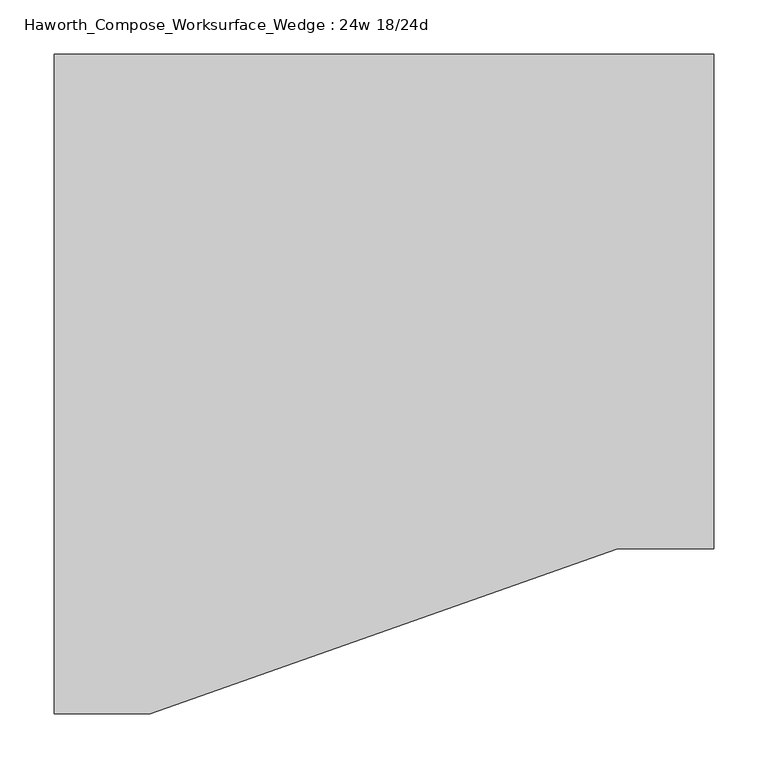
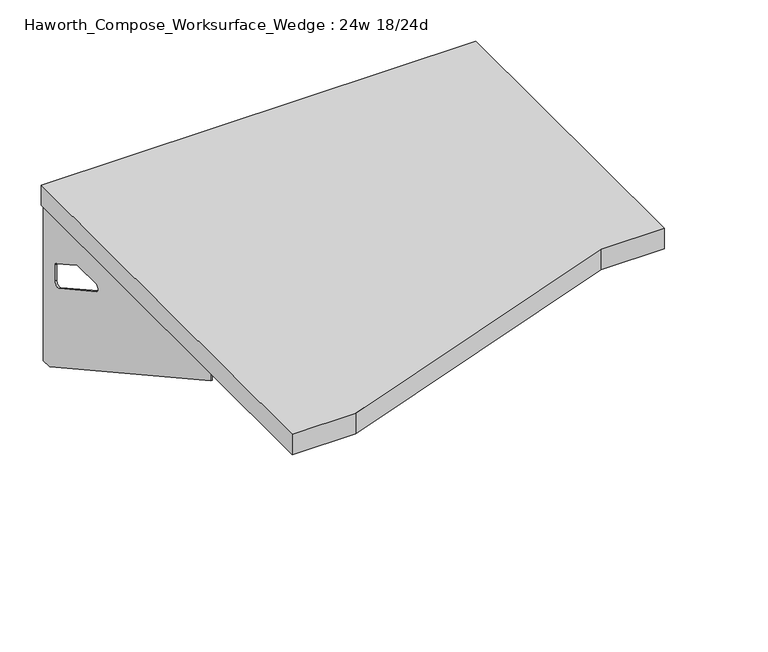
"""IFC4 building model written with IfcOpenShell, lengths in millimetres: furniture geometry, Haworth_Compose_Worksurface_Wedge : 24w 18/24d."""

from ifc_helpers import new_model, si_unit, frame, origin, place, context, project, spatial, polyline, circle_curve, outline, extrude, source, transform, mapped, element, save
from ifc_brep_helpers import plane_surface, revolved_surface, advanced_brep


def haworth_compose_worksurface_wedge_24w_18_24d_2aabfa83(model_context):
    return source(origin(), model_context, "Body", "SolidModel", [
        advanced_brep(
        [(299.24375, 304.8, 475.45625), (299.24375, 288.925, 475.45625), (299.24375, -101.6, 691.7192568), (299.24375, -101.6, 704.05625), (299.24375, 288.925, 704.05625), (299.24375, 304.8, 704.05625), (299.24375, 221.490072, 665.95625), (299.24375, 177.8355284, 665.95625), (299.24375, 175.1564235, 656.3705539), (299.24375, 266.8776173, 605.5776439), (299.24375, 276.225, 611.1756969), (299.24375, 276.225, 634.6860246), (299.24375, 274.4730055, 637.5242776), (299.24375, 224.5663437, 665.1613425), (301.625, 304.8, 475.45625), (301.625, 304.8, 704.05625), (301.625, 288.925, 704.05625), (301.625, 288.925, 706.4375), (301.625, -101.6, 706.4375), (301.625, -101.6, 691.7192568), (301.625, 288.925, 475.45625), (301.625, 221.490072, 665.95625), (301.625, 224.5663437, 665.1613425), (301.625, 274.4730055, 637.5242776), (301.625, 276.225, 634.6860246), (301.625, 276.225, 611.1756969), (301.625, 266.8776173, 605.5776439), (301.625, 175.1564235, 656.3705539), (301.625, 177.8355284, 665.95625), (260.35, -101.6, 706.4375), (260.35, -101.6, 704.05625), (260.35, 288.925, 704.05625), (260.35, 288.925, 706.4375)],
        [
            (0, 1),
            (1, 2),
            (2, 3),
            (3, 4),
            (4, 5),
            (5, 0),
            (6, 7),
            (7, 8, circle_curve(frame((299.24375, 177.8355284, 660.7890106), z_axis=(1.0, 0.0, 0.0), x_axis=(0.0, -1.0, 0.0)), 5.1672394)),
            (8, 9),
            (9, 10, circle_curve(frame((299.24375, 269.875, 611.1756969), z_axis=(1.0, 0.0, 0.0), x_axis=(0.0, -1.0, 0.0)), 6.35)),
            (10, 11),
            (11, 12, circle_curve(frame((299.24375, 273.05, 634.6860246), z_axis=(1.0, 0.0, 0.0), x_axis=(0.0, -1.0, 0.0)), 3.175)),
            (12, 13),
            (13, 6, circle_curve(frame((299.24375, 221.490072, 659.60625), z_axis=(1.0, 0.0, 0.0), x_axis=(0.0, -1.0, 0.0)), 6.35)),
            (14, 15),
            (15, 16),
            (16, 17),
            (17, 18),
            (18, 19),
            (19, 20),
            (20, 14),
            (21, 22, circle_curve(frame((301.625, 221.490072, 659.60625), z_axis=(-1.0, 0.0, 0.0), x_axis=(0.0, -1.0, 0.0)), 6.35)),
            (22, 23),
            (23, 24, circle_curve(frame((301.625, 273.05, 634.6860246), z_axis=(-1.0, 0.0, 0.0), x_axis=(0.0, -1.0, 0.0)), 3.175)),
            (24, 25),
            (25, 26, circle_curve(frame((301.625, 269.875, 611.1756969), z_axis=(-1.0, 0.0, 0.0), x_axis=(0.0, -1.0, 0.0)), 6.35)),
            (26, 27),
            (27, 28, circle_curve(frame((301.625, 177.8355284, 660.7890106), z_axis=(-1.0, 0.0, 0.0), x_axis=(0.0, -1.0, 0.0)), 5.1672394)),
            (28, 21),
            (4, 16),
            (15, 5),
            (14, 0),
            (20, 1),
            (19, 2),
            (18, 29),
            (29, 30),
            (30, 3),
            (6, 21),
            (28, 7),
            (9, 26),
            (25, 10),
            (24, 11),
            (23, 12),
            (27, 8),
            (31, 4),
            (30, 31),
            (32, 29),
            (17, 32),
            (31, 32),
            (22, 13),
        ],
        [
            plane_surface(frame((299.24375, 304.8, 475.45625), z_axis=(-1.0, 0.0, 0.0), x_axis=(0.0, 1.0, 0.0))),
            plane_surface(frame((301.625, 304.8, 475.45625), z_axis=(1.0, 0.0, 0.0), x_axis=(0.0, -1.0, 0.0))),
            plane_surface(frame((301.625, -101.6, 704.05625), z_axis=(0.0, 0.0, 1.0), x_axis=(-1.0, 0.0, 0.0))),
            plane_surface(frame((301.625, 304.8, 704.05625), z_axis=(0.0, 1.0, 0.0), x_axis=(-1.0, 0.0, 0.0))),
            plane_surface(frame((301.625, 304.8, 475.45625), z_axis=(0.0, 0.0, -1.0), x_axis=(-1.0, 0.0, 0.0))),
            plane_surface(frame((301.625, 288.925, 475.45625), z_axis=(0.0, -0.48445223513455843, -0.8748177135112952), x_axis=(-1.0, 0.0, 0.0))),
            plane_surface(frame((301.625, -101.6, 691.7192568), z_axis=(0.0, -1.0, 0.0), x_axis=(-1.0, 0.0, 0.0))),
            plane_surface(frame((301.625, 221.490072, 665.95625), z_axis=(0.0, 0.0, -1.0), x_axis=(-1.0, 0.0, 0.0))),
            revolved_surface(polyline([(299.24375, 263.525, 611.1756969), (301.625, 263.525, 611.1756969)]), (301.625, 269.875, 611.1756969), (-1.0, 0.0, 0.0)),
            plane_surface(frame((301.625, 276.225, 611.1756969), z_axis=(0.0, -1.0, 0.0), x_axis=(-1.0, 0.0, 0.0))),
            revolved_surface(polyline([(299.24375, 269.875, 634.6860246), (301.625, 269.875, 634.6860246)]), (301.625, 273.05, 634.6860246), (-1.0, 0.0, 0.0)),
            revolved_surface(polyline([(299.24375, 172.668289, 660.7890106), (301.625, 172.668289, 660.7890106)]), (301.625, 177.8355284, 660.7890106), (-1.0, 0.0, 0.0)),
            plane_surface(frame((301.625, 288.925, 704.05625), z_axis=(0.0, 0.0, -1.0), x_axis=(-1.0, 0.0, 0.0))),
            plane_surface(frame((301.625, 288.925, 706.4375), z_axis=(0.0, 0.0, 1.0), x_axis=(1.0, 0.0, 0.0))),
            plane_surface(frame((260.35, 288.925, 706.4375), z_axis=(0.0, 1.0, 0.0), x_axis=(0.0, 0.0, -1.0))),
            plane_surface(frame((260.35, -101.6, 706.4375), z_axis=(-1.0, 0.0, 0.0), x_axis=(0.0, 0.0, -1.0))),
            plane_surface(frame((301.625, 175.1564235, 656.3705539), z_axis=(0.0, 0.4844522351345583, 0.8748177135112953), x_axis=(-1.0, 0.0, 0.0))),
            plane_surface(frame((301.625, 274.4730055, 637.5242776), z_axis=(0.0, -0.4844522351345582, -0.8748177135112953), x_axis=(-1.0, 0.0, 0.0))),
            revolved_surface(polyline([(299.24375, 215.140072, 659.60625), (301.625, 215.140072, 659.60625)]), (301.625, 221.490072, 659.60625), (-1.0, 0.0, 0.0)),
        ],
        [
            (0, [[1, 2, 3, 4, 5, 6], [7, 8, 9, 10, 11, 12, 13, 14]]),
            (1, [[15, 16, 17, 18, 19, 20, 21], [22, 23, 24, 25, 26, 27, 28, 29]]),
            (2, [[-5, 30, -16, 31]]),
            (3, [[-31, -15, 32, -6]]),
            (4, [[-32, -21, 33, -1]]),
            (5, [[-33, -20, 34, -2]]),
            (6, [[-34, -19, 35, 36, 37, -3]]),
            (7, [[38, -29, 39, -7]]),
            (8, [[40, -26, 41, -10]]),
            (9, [[-41, -25, 42, -11]]),
            (10, [[-42, -24, 43, -12]]),
            (11, [[-39, -28, 44, -8]]),
            (12, [[45, -4, -37, 46]]),
            (13, [[47, -35, -18, 48]]),
            (14, [[-17, -30, -45, 49, -48]]),
            (15, [[-36, -47, -49, -46]]),
            (16, [[-44, -27, -40, -9]]),
            (17, [[-43, -23, 50, -13]]),
            (18, [[-50, -22, -38, -14]]),
        ],
    ),
        advanced_brep(
        [(-299.24375, 304.8, 475.45625), (-299.24375, 304.8, 704.05625), (-299.24375, 288.925, 704.05625), (-299.24375, -101.6, 704.05625), (-299.24375, -101.6, 691.7192568), (-299.24375, 288.925, 475.45625), (-299.24375, 221.490072, 665.95625), (-299.24375, 224.5663437, 665.1613425), (-299.24375, 274.4730055, 637.5242776), (-299.24375, 276.225, 634.6860246), (-299.24375, 276.225, 611.1756969), (-299.24375, 266.8776173, 605.5776439), (-299.24375, 175.1564235, 656.3705539), (-299.24375, 177.8355284, 665.95625), (-301.625, 304.8, 475.45625), (-301.625, 288.925, 475.45625), (-301.625, -101.6, 691.7192568), (-301.625, -101.6, 706.4375), (-301.625, 288.925, 706.4375), (-301.625, 288.925, 704.05625), (-301.625, 304.8, 704.05625), (-301.625, 221.490072, 665.95625), (-301.625, 177.8355284, 665.95625), (-301.625, 175.1564235, 656.3705539), (-301.625, 266.8776173, 605.5776439), (-301.625, 276.225, 611.1756969), (-301.625, 276.225, 634.6860246), (-301.625, 274.4730055, 637.5242776), (-301.625, 224.5663437, 665.1613425), (-260.35, -101.6, 704.05625), (-260.35, -101.6, 706.4375), (-260.35, 288.925, 704.05625), (-260.35, 288.925, 706.4375)],
        [
            (0, 1),
            (1, 2),
            (2, 3),
            (3, 4),
            (4, 5),
            (5, 0),
            (6, 7, circle_curve(frame((-299.24375, 221.490072, 659.60625), z_axis=(-1.0, 0.0, 0.0), x_axis=(0.0, -1.0, 0.0)), 6.35)),
            (7, 8),
            (8, 9, circle_curve(frame((-299.24375, 273.05, 634.6860246), z_axis=(-1.0, 0.0, 0.0), x_axis=(0.0, -1.0, 0.0)), 3.175)),
            (9, 10),
            (10, 11, circle_curve(frame((-299.24375, 269.875, 611.1756969), z_axis=(-1.0, 0.0, 0.0), x_axis=(0.0, -1.0, 0.0)), 6.35)),
            (11, 12),
            (12, 13, circle_curve(frame((-299.24375, 177.8355284, 660.7890106), z_axis=(-1.0, 0.0, 0.0), x_axis=(0.0, -1.0, 0.0)), 5.1672394)),
            (13, 6),
            (14, 15),
            (15, 16),
            (16, 17),
            (17, 18),
            (18, 19),
            (19, 20),
            (20, 14),
            (21, 22),
            (22, 23, circle_curve(frame((-301.625, 177.8355284, 660.7890106), z_axis=(1.0, 0.0, 0.0), x_axis=(0.0, -1.0, 0.0)), 5.1672394)),
            (23, 24),
            (24, 25, circle_curve(frame((-301.625, 269.875, 611.1756969), z_axis=(1.0, 0.0, 0.0), x_axis=(0.0, -1.0, 0.0)), 6.35)),
            (25, 26),
            (26, 27, circle_curve(frame((-301.625, 273.05, 634.6860246), z_axis=(1.0, 0.0, 0.0), x_axis=(0.0, -1.0, 0.0)), 3.175)),
            (27, 28),
            (28, 21, circle_curve(frame((-301.625, 221.490072, 659.60625), z_axis=(1.0, 0.0, 0.0), x_axis=(0.0, -1.0, 0.0)), 6.35)),
            (1, 20),
            (19, 2),
            (0, 14),
            (5, 15),
            (4, 16),
            (3, 29),
            (29, 30),
            (30, 17),
            (13, 22),
            (21, 6),
            (10, 25),
            (24, 11),
            (9, 26),
            (8, 27),
            (12, 23),
            (31, 29),
            (2, 31),
            (32, 18),
            (30, 32),
            (32, 31),
            (7, 28),
        ],
        [
            plane_surface(frame((-299.24375, 304.8, 475.45625), z_axis=(1.0, 0.0, 0.0), x_axis=(0.0, 1.0, 0.0))),
            plane_surface(frame((-301.625, 304.8, 475.45625), z_axis=(-1.0, 0.0, 0.0), x_axis=(0.0, -1.0, 0.0))),
            plane_surface(frame((-301.625, -101.6, 704.05625), z_axis=(0.0, 0.0, 1.0), x_axis=(1.0, 0.0, 0.0))),
            plane_surface(frame((-301.625, 304.8, 704.05625), z_axis=(0.0, 1.0, 0.0), x_axis=(1.0, 0.0, 0.0))),
            plane_surface(frame((-301.625, 304.8, 475.45625), z_axis=(0.0, 0.0, -1.0), x_axis=(1.0, 0.0, 0.0))),
            plane_surface(frame((-301.625, 288.925, 475.45625), z_axis=(0.0, -0.48445223513455843, -0.8748177135112952), x_axis=(1.0, 0.0, 0.0))),
            plane_surface(frame((-301.625, -101.6, 691.7192568), z_axis=(0.0, -1.0, 0.0), x_axis=(1.0, 0.0, 0.0))),
            plane_surface(frame((-301.625, 221.490072, 665.95625), z_axis=(0.0, 0.0, -1.0), x_axis=(1.0, 0.0, 0.0))),
            revolved_surface(polyline([(-299.24375, 263.525, 611.1756969), (-301.625, 263.525, 611.1756969)]), (-301.625, 269.875, 611.1756969), (1.0, 0.0, 0.0)),
            plane_surface(frame((-301.625, 276.225, 611.1756969), z_axis=(0.0, -1.0, 0.0), x_axis=(1.0, 0.0, 0.0))),
            revolved_surface(polyline([(-299.24375, 269.875, 634.6860246), (-301.625, 269.875, 634.6860246)]), (-301.625, 273.05, 634.6860246), (1.0, 0.0, 0.0)),
            revolved_surface(polyline([(-299.24375, 172.668289, 660.7890106), (-301.625, 172.668289, 660.7890106)]), (-301.625, 177.8355284, 660.7890106), (1.0, 0.0, 0.0)),
            plane_surface(frame((-301.625, 288.925, 704.05625), z_axis=(0.0, 0.0, -1.0), x_axis=(1.0, 0.0, 0.0))),
            plane_surface(frame((-301.625, 288.925, 706.4375), z_axis=(0.0, 0.0, 1.0), x_axis=(-1.0, 0.0, 0.0))),
            plane_surface(frame((-260.35, 288.925, 706.4375), z_axis=(0.0, 1.0, 0.0), x_axis=(0.0, 0.0, -1.0))),
            plane_surface(frame((-260.35, -101.6, 706.4375), z_axis=(1.0, 0.0, 0.0), x_axis=(0.0, 0.0, -1.0))),
            plane_surface(frame((-301.625, 175.1564235, 656.3705539), z_axis=(0.0, 0.4844522351345583, 0.8748177135112953), x_axis=(1.0, 0.0, 0.0))),
            plane_surface(frame((-301.625, 274.4730055, 637.5242776), z_axis=(0.0, -0.4844522351345582, -0.8748177135112953), x_axis=(1.0, 0.0, 0.0))),
            revolved_surface(polyline([(-299.24375, 215.140072, 659.60625), (-301.625, 215.140072, 659.60625)]), (-301.625, 221.490072, 659.60625), (1.0, 0.0, 0.0)),
        ],
        [
            (0, [[1, 2, 3, 4, 5, 6], [7, 8, 9, 10, 11, 12, 13, 14]]),
            (1, [[15, 16, 17, 18, 19, 20, 21], [22, 23, 24, 25, 26, 27, 28, 29]]),
            (2, [[30, -20, 31, -2]]),
            (3, [[-1, 32, -21, -30]]),
            (4, [[-6, 33, -15, -32]]),
            (5, [[-5, 34, -16, -33]]),
            (6, [[-4, 35, 36, 37, -17, -34]]),
            (7, [[-14, 38, -22, 39]]),
            (8, [[-11, 40, -25, 41]]),
            (9, [[-10, 42, -26, -40]]),
            (10, [[-9, 43, -27, -42]]),
            (11, [[-13, 44, -23, -38]]),
            (12, [[45, -35, -3, 46]]),
            (13, [[47, -18, -37, 48]]),
            (14, [[-47, 49, -46, -31, -19]]),
            (15, [[-45, -49, -48, -36]]),
            (16, [[-12, -41, -24, -44]]),
            (17, [[-8, 50, -28, -43]]),
            (18, [[-7, -39, -29, -50]]),
        ],
    ),
        extrude(outline(polyline([(304.8, 304.8), (304.8, -152.4), (215.9, -152.4), (-215.9, -304.8), (-304.8, -304.8), (-304.8, 304.8), (304.8, 304.8)])), frame((0.0, 0.0, 706.4375), z_axis=(0.0, 0.0, 1.0), x_axis=(1.0, 0.0, 0.0)), (0.0, 0.0, 1.0), 30.1625),
    ])


if __name__ == "__main__":
    model = new_model("IFC4")
    model_context = context("Model", 3, world=origin())
    ifc_project = project(units=[si_unit("LENGTHUNIT", "METRE", prefix="MILLI")], contexts=[model_context])
    site = spatial("IfcSite", under=ifc_project)
    building = spatial("IfcBuilding", under=site)
    placement = place(None, origin())
    haworth_compose_worksurface_wedge_24w_18_24d_shape = haworth_compose_worksurface_wedge_24w_18_24d_2aabfa83(model_context)
    element("IfcFurniture", 1, ObjectType="Haworth_Compose_Worksurface_Wedge : 24w 18/24d", at=placement, inside=building, context=model_context, shape_type="MappedRepresentation", body=[
        mapped(haworth_compose_worksurface_wedge_24w_18_24d_shape, transform((0.0, 0.0, 0.0), x_axis=(1.0, 0.0, 0.0), y_axis=(0.0, 1.0, 0.0), z_axis=(0.0, 0.0, 1.0))),
    ])
    save(model, "model.ifc")
